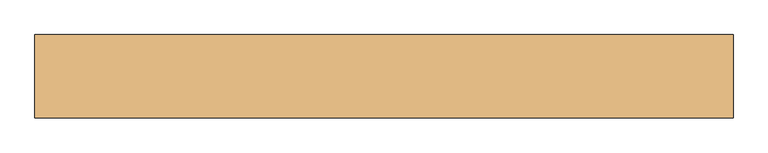
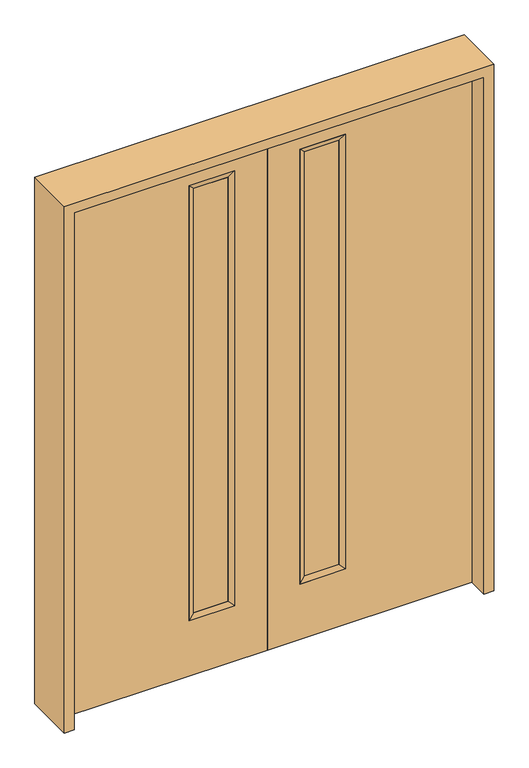
"""IFC4 building model written with IfcOpenShell, lengths in millimetres: door geometry."""

import ifcopenshell
import ifcopenshell.guid

model = None  # the IFC model being written
_history = None  # IfcOwnerHistory: only IFC2X3 demands one
_inside = {}  # id of a spatial element -> (the spatial element, [elements in it])
_under = {}  # id of a project, library or spatial element -> (it, [spatial elements below it])
_declared = {}  # id of a project -> (the project, [libraries it declares])
_typed = {}  # id of a type object -> (the type object, [elements of that type])
_made_of = {}  # id of a material, layer set ... -> (it, [elements and type objects made of it])


def new_model(schema):
    """Start an empty IFC model of exactly this schema.

    Asked for "IFC4X3", IfcOpenShell would pick the latest addendum, in which some entities
    have other attributes; the version numbers below select the first issue.
    IFC2X3 requires an IfcOwnerHistory on every rooted entity: one is made here for all.
    """
    global model, _history
    if schema == "IFC4X3":
        model = ifcopenshell.file(schema_version=(4, 3, 0, 0))
    else:
        model = ifcopenshell.file(schema=schema)
    _inside.clear()
    _under.clear()
    _declared.clear()
    _typed.clear()
    _made_of.clear()
    _history = None
    if model.schema == "IFC2X3":
        org = make("IfcOrganization", Name="unknown")
        user = make(
            "IfcPersonAndOrganization",
            ThePerson=make("IfcPerson", FamilyName="unknown"),
            TheOrganization=org,
        )
        app = make(
            "IfcApplication",
            ApplicationDeveloper=org,
            Version="unknown",
            ApplicationFullName="unknown",
            ApplicationIdentifier="unknown",
        )
        _history = make(
            "IfcOwnerHistory",
            OwningUser=user,
            OwningApplication=app,
            ChangeAction="ADDED",
            CreationDate=0,
        )
    return model


def make(cls, **values):
    """One entity of the class cls with the attributes given. An attribute that is None is left unset."""
    return model.create_entity(
        cls, **{name: value for name, value in values.items() if value is not None}
    )


def rooted(cls, **values):
    """An entity with a GlobalId (a new one), such as an element, a storey or a relation."""
    return make(cls, GlobalId=ifcopenshell.guid.new(), OwnerHistory=_history, **values)


def si_unit(unit_type, name, prefix=None):
    """IfcSIUnit, for example si_unit("LENGTHUNIT", "METRE", prefix="MILLI")."""
    return make("IfcSIUnit", UnitType=unit_type, Prefix=prefix, Name=name)


def assignment(units):
    """IfcUnitAssignment: the units of a project."""
    return None if units is None else make("IfcUnitAssignment", Units=units)


def point(xyz):
    """IfcCartesianPoint."""
    return None if xyz is None else make("IfcCartesianPoint", Coordinates=xyz)


def direction(xyz):
    """IfcDirection."""
    return None if xyz is None else make("IfcDirection", DirectionRatios=xyz)


def frame(location, z_axis=None, x_axis=None):
    """IfcAxis2Placement3D, a coordinate frame: its origin and axes. An axis left out is left unset."""
    return make(
        "IfcAxis2Placement3D",
        Location=point(location),
        Axis=direction(z_axis),
        RefDirection=direction(x_axis),
    )


def origin():
    """The frame at (0, 0, 0) with its axes left unset."""
    return frame((0.0, 0.0, 0.0))


def place(relative_to, where):
    """IfcLocalPlacement: puts the frame where relative to a parent placement (None: the world)."""
    return make(
        "IfcLocalPlacement", PlacementRelTo=relative_to, RelativePlacement=where
    )


def context(
    kind, dimensions, precision=None, world=None, true_north=None, identifier=None
):
    """IfcGeometricRepresentationContext, for example the 3D "Model" context."""
    return make(
        "IfcGeometricRepresentationContext",
        ContextIdentifier=identifier,
        ContextType=kind,
        CoordinateSpaceDimension=dimensions,
        Precision=precision,
        WorldCoordinateSystem=world,
        TrueNorth=true_north,
    )


def project(units=None, contexts=None):
    """IfcProject with its units and contexts."""
    return rooted(
        "IfcProject",
        Name="project",
        RepresentationContexts=contexts,
        UnitsInContext=assignment(units),
    )


def spatial(cls, under=None, at=None, **own):
    """A site, building, storey or space (cls), placed at a placement, below another one or the project."""
    s = rooted(cls, ObjectPlacement=at, **own)
    if under is not None:
        _under.setdefault(under.id(), (under, []))[1].append(s)
    return s


def polyline(points):
    """IfcPolyline through the points."""
    return make("IfcPolyline", Points=[point(p) for p in points])


def outline(outer, holes=None, kind="AREA"):
    """IfcArbitraryClosedProfileDef: a profile drawn as a closed curve; with holes, ...WithVoids."""
    if holes is None:
        return make("IfcArbitraryClosedProfileDef", ProfileType=kind, OuterCurve=outer)
    return make(
        "IfcArbitraryProfileDefWithVoids",
        ProfileType=kind,
        OuterCurve=outer,
        InnerCurves=holes,
    )


def extrude(swept, where, along, depth):
    """IfcExtrudedAreaSolid: the profile swept, set in the frame where, extruded along a direction by depth."""
    return make(
        "IfcExtrudedAreaSolid",
        SweptArea=swept,
        Position=where,
        ExtrudedDirection=direction(along),
        Depth=depth,
    )


def faces_of(points, faces, orient=None, outer=None):
    """IfcFace entities. A face is a list of loops; a loop is a list of indices into points, from 0.

    orient and outer hold one flag for each loop. By default every Orientation is true, the
    first loop of a face is its IfcFaceOuterBound and the others are IfcFaceBound.
    """
    made = []
    for i, loops in enumerate(faces):
        bounds = []
        for j, loop in enumerate(loops):
            is_outer = j == 0 if outer is None else outer[i][j]
            bounds.append(
                make(
                    "IfcFaceOuterBound" if is_outer else "IfcFaceBound",
                    Bound=make("IfcPolyLoop", Polygon=[points[k] for k in loop]),
                    Orientation=True if orient is None else orient[i][j],
                )
            )
        made.append(make("IfcFace", Bounds=bounds))
    return made


def faceted_brep(points, faces, orient=None, outer=None, voids=None):
    """IfcFacetedBrep: a solid bounded by flat faces; with voids (closed shells), ...WithVoids."""
    shared = [point(p) for p in points]
    hull = make("IfcClosedShell", CfsFaces=faces_of(shared, faces, orient, outer))
    if voids is None:
        return make("IfcFacetedBrep", Outer=hull)
    return make(
        "IfcFacetedBrepWithVoids",
        Outer=hull,
        Voids=[
            make(cls, CfsFaces=faces_of(shared, fs, o, b)) for cls, fs, o, b in voids
        ],
    )


def shape(context_of_items, identifier, shape_type, items):
    """IfcShapeRepresentation: the items that make up one representation, for example the "Body"."""
    return make(
        "IfcShapeRepresentation",
        ContextOfItems=context_of_items,
        RepresentationIdentifier=identifier,
        RepresentationType=shape_type,
        Items=items,
    )


def source(mapping_origin, context_of_items, identifier, shape_type, items):
    """IfcRepresentationMap: a shape defined once, which mapped items show again and again."""
    return make(
        "IfcRepresentationMap",
        MappingOrigin=mapping_origin,
        MappedRepresentation=shape(context_of_items, identifier, shape_type, items),
    )


def transform(
    local_origin,
    x_axis=None,
    y_axis=None,
    z_axis=None,
    scale=None,
    scale2=None,
    scale3=None,
    uniform=True,
):
    """IfcCartesianTransformationOperator3D, or its non-uniform kind. x_axis, y_axis, z_axis: its Axis1, 2, 3."""
    if uniform:
        return make(
            "IfcCartesianTransformationOperator3D",
            Axis1=direction(x_axis),
            Axis2=direction(y_axis),
            LocalOrigin=point(local_origin),
            Scale=scale,
            Axis3=direction(z_axis),
        )
    return make(
        "IfcCartesianTransformationOperator3DnonUniform",
        Axis1=direction(x_axis),
        Axis2=direction(y_axis),
        LocalOrigin=point(local_origin),
        Scale=scale,
        Axis3=direction(z_axis),
        Scale2=scale2,
        Scale3=scale3,
    )


def mapped(mapping_source, mapping_target):
    """IfcMappedItem: shows the shape of a source again, moved by a transform."""
    return make(
        "IfcMappedItem", MappingSource=mapping_source, MappingTarget=mapping_target
    )


def made_of(thing, what):
    """Note that an element or type object is made of a material, layer set ...; save() writes the relation."""
    if what is not None:
        _made_of.setdefault(what.id(), (what, []))[1].append(thing)
    return thing


def element(
    cls,
    number,
    at=None,
    inside=None,
    cuts=None,
    type_object=None,
    material=None,
    context=None,
    identifier="Body",
    shape_type=None,
    held_by="IfcProductDefinitionShape",
    body=None,
    shapes=None,
    **own,
):
    """One element of the class cls, such as IfcWall. Its Tag is "e" and its number.

    at: its placement. inside: the storey or other place that contains it. cuts: it is an
    opening in that element (IfcRelVoidsElement). A single representation is given by context,
    identifier, shape_type and body (its items); several are given by shapes. held_by: the class
    of the entity that holds the representations. save() writes the other relations.
    """
    e = rooted(cls, Tag="e%d" % number, ObjectPlacement=at, **own)
    if body is not None:
        shapes = [shape(context, identifier, shape_type, body)]
    if shapes is not None:
        e.Representation = make(held_by, Representations=shapes)
    if inside is not None:
        _inside.setdefault(inside.id(), (inside, []))[1].append(e)
    if cuts is not None:
        rooted(
            "IfcRelVoidsElement", RelatingBuildingElement=cuts, RelatedOpeningElement=e
        )
    if type_object is not None:
        _typed.setdefault(type_object.id(), (type_object, []))[1].append(e)
    return made_of(e, material)


def aggregate(whole, parts):
    """IfcRelAggregates: a whole, such as a stair, and the parts it consists of."""
    return rooted("IfcRelAggregates", RelatingObject=whole, RelatedObjects=parts)


def save(model, path):
    """Write the relations noted so far, then the file.

    IfcRelAggregates (storeys below a building ...), IfcRelContainedInSpatialStructure (elements
    in a storey), IfcRelDefinesByType, IfcRelAssociatesMaterial and IfcRelDeclares: one each for
    every whole, place, type object, material and project.
    """
    for whole, parts in _under.values():
        aggregate(whole, parts)
    for where, things in _inside.values():
        rooted(
            "IfcRelContainedInSpatialStructure",
            RelatedElements=things,
            RelatingStructure=where,
        )
    for kind, things in _typed.values():
        rooted("IfcRelDefinesByType", RelatedObjects=things, RelatingType=kind)
    for what, things in _made_of.values():
        rooted("IfcRelAssociatesMaterial", RelatedObjects=things, RelatingMaterial=what)
    for by, libraries in _declared.values():
        rooted("IfcRelDeclares", RelatingContext=by, RelatedDefinitions=libraries)
    model.write(path)


def door_91792659(model_context):
    return source(origin(), model_context, "Body", "SolidModel", [
        extrude(outline(polyline([(-323.85, -14.2875), (-323.85, 14.2875), (-171.45, 14.2875), (-171.45, -14.2875), (-323.85, -14.2875)])), frame((0.0, 0.0, 285.75), z_axis=(0.0, 0.0, 1.0), x_axis=(1.0, 0.0, 0.0)), (0.0, 0.0, 1.0), 2000.25),
        faceted_brep([(-349.25, 22.225, 2311.4), (-349.25, 22.225, 260.35), (-349.25, -22.225, 260.35), (-349.25, -22.225, 2311.4), (-146.05, 22.225, 260.35), (-146.05, -22.225, 260.35), (-323.85, 14.2875, 2286.0), (-323.85, 14.2875, 285.75), (-323.85, -14.2875, 2286.0), (-323.85, -14.2875, 285.75), (-171.45, -14.2875, 285.75), (-171.45, 14.2875, 285.75), (-146.05, 22.225, 2311.4), (-146.05, -22.225, 2311.4), (-171.45, -14.2875, 2286.0), (-171.45, 14.2875, 2286.0)], [[[0, 1, 2, 3]], [[1, 4, 5, 2]], [[6, 7, 1, 0]], [[8, 9, 7, 6]], [[9, 10, 11, 7]], [[4, 12, 13, 5]], [[7, 11, 4, 1]], [[10, 14, 15, 11]], [[11, 15, 12, 4]], [[12, 0, 3, 13]], [[15, 6, 0, 12]], [[14, 8, 6, 15]], [[3, 2, 9, 8]], [[2, 5, 10, 9]], [[5, 13, 14, 10]], [[13, 3, 8, 14]]]),
        extrude(outline(polyline([(2438.4, 0.0), (2438.4, -914.4), (0.0, -914.4), (0.0, 0.0), (2438.4, 0.0)]), holes=[polyline([(2311.4, -349.25), (2311.4, -146.05), (260.35, -146.05), (260.35, -349.25), (2311.4, -349.25)])]), frame((0.0, -22.225, 0.0), z_axis=(0.0, 1.0, 0.0), x_axis=(0.0, 0.0, 1.0)), (0.0, 0.0, 1.0), 44.45),
        extrude(outline(polyline([(323.85, -14.2875), (171.45, -14.2875), (171.45, 14.2875), (323.85, 14.2875), (323.85, -14.2875)])), frame((0.0, 0.0, 285.75), z_axis=(0.0, 0.0, 1.0), x_axis=(1.0, 0.0, 0.0)), (0.0, 0.0, 1.0), 2000.25),
        faceted_brep([(349.25, 22.225, 2311.4), (349.25, -22.225, 2311.4), (349.25, -22.225, 260.35), (349.25, 22.225, 260.35), (146.05, -22.225, 260.35), (146.05, 22.225, 260.35), (323.85, 14.2875, 2286.0), (323.85, 14.2875, 285.75), (323.85, -14.2875, 2286.0), (323.85, -14.2875, 285.75), (171.45, 14.2875, 285.75), (171.45, -14.2875, 285.75), (146.05, -22.225, 2311.4), (146.05, 22.225, 2311.4), (171.45, 14.2875, 2286.0), (171.45, -14.2875, 2286.0)], [[[0, 1, 2, 3]], [[3, 2, 4, 5]], [[6, 0, 3, 7]], [[8, 6, 7, 9]], [[9, 7, 10, 11]], [[5, 4, 12, 13]], [[7, 3, 5, 10]], [[11, 10, 14, 15]], [[10, 5, 13, 14]], [[13, 12, 1, 0]], [[14, 13, 0, 6]], [[15, 14, 6, 8]], [[1, 8, 9, 2]], [[2, 9, 11, 4]], [[4, 11, 15, 12]], [[12, 15, 8, 1]]]),
        extrude(outline(polyline([(2438.4, 0.0), (0.0, 0.0), (0.0, 914.4), (2438.4, 914.4), (2438.4, 0.0)]), holes=[polyline([(2311.4, 349.25), (260.35, 349.25), (260.35, 146.05), (2311.4, 146.05), (2311.4, 349.25)])]), frame((0.0, -22.225, 0.0), z_axis=(0.0, 1.0, 0.0), x_axis=(0.0, 0.0, 1.0)), (0.0, 0.0, 1.0), 44.45),
        extrude(outline(polyline([(0.0, 914.4), (0.0, 958.85), (2482.85, 958.85), (2482.85, -958.85), (0.0, -958.85), (0.0, -914.4), (2438.4, -914.4), (2438.4, 914.4), (0.0, 914.4)])), frame((0.0, -114.3, 0.0), z_axis=(0.0, 1.0, 0.0), x_axis=(0.0, 0.0, 1.0)), (0.0, 0.0, 1.0), 228.6),
    ])


if __name__ == "__main__":
    model = new_model("IFC4")
    model_context = context("Model", 3, world=origin())
    ifc_project = project(units=[si_unit("LENGTHUNIT", "METRE", prefix="MILLI")], contexts=[model_context])
    site = spatial("IfcSite", under=ifc_project)
    building = spatial("IfcBuilding", under=site)
    placement = place(None, origin())
    door_shape = door_91792659(model_context)
    element("IfcDoor", 1, at=placement, inside=building, context=model_context, shape_type="MappedRepresentation", body=[
        mapped(door_shape, transform((0.0, 0.0, 0.0), x_axis=(1.0, 0.0, 0.0), y_axis=(0.0, 1.0, 0.0), z_axis=(0.0, 0.0, 1.0))),
    ])
    save(model, "model.ifc")
